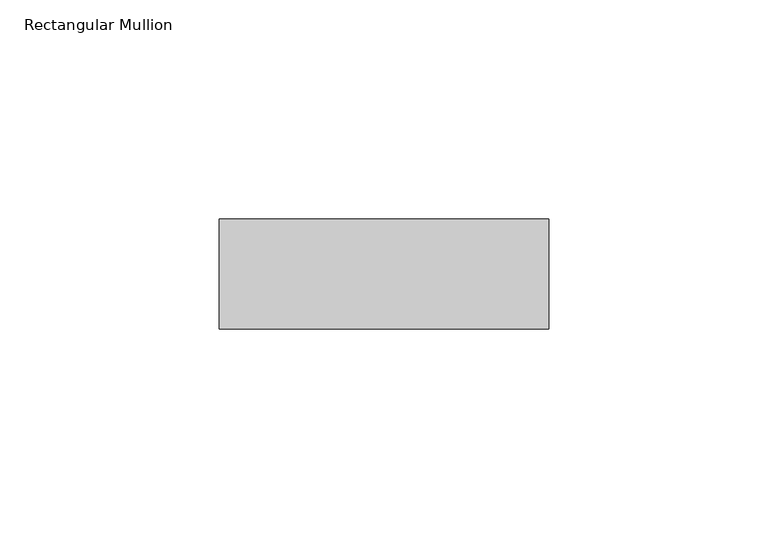
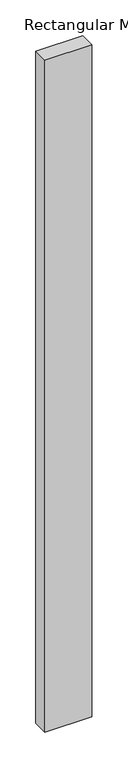
"""IFC4 building model written with IfcOpenShell, lengths in millimetres: member geometry, Rectangular Mullion."""

import ifcopenshell
import ifcopenshell.guid

model = None  # the IFC model being written
_history = None  # IfcOwnerHistory: only IFC2X3 demands one
_inside = {}  # id of a spatial element -> (the spatial element, [elements in it])
_under = {}  # id of a project, library or spatial element -> (it, [spatial elements below it])
_declared = {}  # id of a project -> (the project, [libraries it declares])
_typed = {}  # id of a type object -> (the type object, [elements of that type])
_made_of = {}  # id of a material, layer set ... -> (it, [elements and type objects made of it])


def new_model(schema):
    """Start an empty IFC model of exactly this schema.

    Asked for "IFC4X3", IfcOpenShell would pick the latest addendum, in which some entities
    have other attributes; the version numbers below select the first issue.
    IFC2X3 requires an IfcOwnerHistory on every rooted entity: one is made here for all.
    """
    global model, _history
    if schema == "IFC4X3":
        model = ifcopenshell.file(schema_version=(4, 3, 0, 0))
    else:
        model = ifcopenshell.file(schema=schema)
    _inside.clear()
    _under.clear()
    _declared.clear()
    _typed.clear()
    _made_of.clear()
    _history = None
    if model.schema == "IFC2X3":
        org = make("IfcOrganization", Name="unknown")
        user = make(
            "IfcPersonAndOrganization",
            ThePerson=make("IfcPerson", FamilyName="unknown"),
            TheOrganization=org,
        )
        app = make(
            "IfcApplication",
            ApplicationDeveloper=org,
            Version="unknown",
            ApplicationFullName="unknown",
            ApplicationIdentifier="unknown",
        )
        _history = make(
            "IfcOwnerHistory",
            OwningUser=user,
            OwningApplication=app,
            ChangeAction="ADDED",
            CreationDate=0,
        )
    return model


def make(cls, **values):
    """One entity of the class cls with the attributes given. An attribute that is None is left unset."""
    return model.create_entity(
        cls, **{name: value for name, value in values.items() if value is not None}
    )


def rooted(cls, **values):
    """An entity with a GlobalId (a new one), such as an element, a storey or a relation."""
    return make(cls, GlobalId=ifcopenshell.guid.new(), OwnerHistory=_history, **values)


def si_unit(unit_type, name, prefix=None):
    """IfcSIUnit, for example si_unit("LENGTHUNIT", "METRE", prefix="MILLI")."""
    return make("IfcSIUnit", UnitType=unit_type, Prefix=prefix, Name=name)


def assignment(units):
    """IfcUnitAssignment: the units of a project."""
    return None if units is None else make("IfcUnitAssignment", Units=units)


def point(xyz):
    """IfcCartesianPoint."""
    return None if xyz is None else make("IfcCartesianPoint", Coordinates=xyz)


def direction(xyz):
    """IfcDirection."""
    return None if xyz is None else make("IfcDirection", DirectionRatios=xyz)


def frame(location, z_axis=None, x_axis=None):
    """IfcAxis2Placement3D, a coordinate frame: its origin and axes. An axis left out is left unset."""
    return make(
        "IfcAxis2Placement3D",
        Location=point(location),
        Axis=direction(z_axis),
        RefDirection=direction(x_axis),
    )


def origin():
    """The frame at (0, 0, 0) with its axes left unset."""
    return frame((0.0, 0.0, 0.0))


def place(relative_to, where):
    """IfcLocalPlacement: puts the frame where relative to a parent placement (None: the world)."""
    return make(
        "IfcLocalPlacement", PlacementRelTo=relative_to, RelativePlacement=where
    )


def context(
    kind, dimensions, precision=None, world=None, true_north=None, identifier=None
):
    """IfcGeometricRepresentationContext, for example the 3D "Model" context."""
    return make(
        "IfcGeometricRepresentationContext",
        ContextIdentifier=identifier,
        ContextType=kind,
        CoordinateSpaceDimension=dimensions,
        Precision=precision,
        WorldCoordinateSystem=world,
        TrueNorth=true_north,
    )


def project(units=None, contexts=None):
    """IfcProject with its units and contexts."""
    return rooted(
        "IfcProject",
        Name="project",
        RepresentationContexts=contexts,
        UnitsInContext=assignment(units),
    )


def spatial(cls, under=None, at=None, **own):
    """A site, building, storey or space (cls), placed at a placement, below another one or the project."""
    s = rooted(cls, ObjectPlacement=at, **own)
    if under is not None:
        _under.setdefault(under.id(), (under, []))[1].append(s)
    return s


def polyline(points):
    """IfcPolyline through the points."""
    return make("IfcPolyline", Points=[point(p) for p in points])


def outline(outer, holes=None, kind="AREA"):
    """IfcArbitraryClosedProfileDef: a profile drawn as a closed curve; with holes, ...WithVoids."""
    if holes is None:
        return make("IfcArbitraryClosedProfileDef", ProfileType=kind, OuterCurve=outer)
    return make(
        "IfcArbitraryProfileDefWithVoids",
        ProfileType=kind,
        OuterCurve=outer,
        InnerCurves=holes,
    )


def extrude(swept, where, along, depth):
    """IfcExtrudedAreaSolid: the profile swept, set in the frame where, extruded along a direction by depth."""
    return make(
        "IfcExtrudedAreaSolid",
        SweptArea=swept,
        Position=where,
        ExtrudedDirection=direction(along),
        Depth=depth,
    )


def shape(context_of_items, identifier, shape_type, items):
    """IfcShapeRepresentation: the items that make up one representation, for example the "Body"."""
    return make(
        "IfcShapeRepresentation",
        ContextOfItems=context_of_items,
        RepresentationIdentifier=identifier,
        RepresentationType=shape_type,
        Items=items,
    )


def source(mapping_origin, context_of_items, identifier, shape_type, items):
    """IfcRepresentationMap: a shape defined once, which mapped items show again and again."""
    return make(
        "IfcRepresentationMap",
        MappingOrigin=mapping_origin,
        MappedRepresentation=shape(context_of_items, identifier, shape_type, items),
    )


def transform(
    local_origin,
    x_axis=None,
    y_axis=None,
    z_axis=None,
    scale=None,
    scale2=None,
    scale3=None,
    uniform=True,
):
    """IfcCartesianTransformationOperator3D, or its non-uniform kind. x_axis, y_axis, z_axis: its Axis1, 2, 3."""
    if uniform:
        return make(
            "IfcCartesianTransformationOperator3D",
            Axis1=direction(x_axis),
            Axis2=direction(y_axis),
            LocalOrigin=point(local_origin),
            Scale=scale,
            Axis3=direction(z_axis),
        )
    return make(
        "IfcCartesianTransformationOperator3DnonUniform",
        Axis1=direction(x_axis),
        Axis2=direction(y_axis),
        LocalOrigin=point(local_origin),
        Scale=scale,
        Axis3=direction(z_axis),
        Scale2=scale2,
        Scale3=scale3,
    )


def mapped(mapping_source, mapping_target):
    """IfcMappedItem: shows the shape of a source again, moved by a transform."""
    return make(
        "IfcMappedItem", MappingSource=mapping_source, MappingTarget=mapping_target
    )


def made_of(thing, what):
    """Note that an element or type object is made of a material, layer set ...; save() writes the relation."""
    if what is not None:
        _made_of.setdefault(what.id(), (what, []))[1].append(thing)
    return thing


def element(
    cls,
    number,
    at=None,
    inside=None,
    cuts=None,
    type_object=None,
    material=None,
    context=None,
    identifier="Body",
    shape_type=None,
    held_by="IfcProductDefinitionShape",
    body=None,
    shapes=None,
    **own,
):
    """One element of the class cls, such as IfcWall. Its Tag is "e" and its number.

    at: its placement. inside: the storey or other place that contains it. cuts: it is an
    opening in that element (IfcRelVoidsElement). A single representation is given by context,
    identifier, shape_type and body (its items); several are given by shapes. held_by: the class
    of the entity that holds the representations. save() writes the other relations.
    """
    e = rooted(cls, Tag="e%d" % number, ObjectPlacement=at, **own)
    if body is not None:
        shapes = [shape(context, identifier, shape_type, body)]
    if shapes is not None:
        e.Representation = make(held_by, Representations=shapes)
    if inside is not None:
        _inside.setdefault(inside.id(), (inside, []))[1].append(e)
    if cuts is not None:
        rooted(
            "IfcRelVoidsElement", RelatingBuildingElement=cuts, RelatedOpeningElement=e
        )
    if type_object is not None:
        _typed.setdefault(type_object.id(), (type_object, []))[1].append(e)
    return made_of(e, material)


def aggregate(whole, parts):
    """IfcRelAggregates: a whole, such as a stair, and the parts it consists of."""
    return rooted("IfcRelAggregates", RelatingObject=whole, RelatedObjects=parts)


def save(model, path):
    """Write the relations noted so far, then the file.

    IfcRelAggregates (storeys below a building ...), IfcRelContainedInSpatialStructure (elements
    in a storey), IfcRelDefinesByType, IfcRelAssociatesMaterial and IfcRelDeclares: one each for
    every whole, place, type object, material and project.
    """
    for whole, parts in _under.values():
        aggregate(whole, parts)
    for where, things in _inside.values():
        rooted(
            "IfcRelContainedInSpatialStructure",
            RelatedElements=things,
            RelatingStructure=where,
        )
    for kind, things in _typed.values():
        rooted("IfcRelDefinesByType", RelatedObjects=things, RelatingType=kind)
    for what, things in _made_of.values():
        rooted("IfcRelAssociatesMaterial", RelatedObjects=things, RelatingMaterial=what)
    for by, libraries in _declared.values():
        rooted("IfcRelDeclares", RelatingContext=by, RelatedDefinitions=libraries)
    model.write(path)


def rectangular_mullion_82c70cf3(model_context):
    return source(origin(), model_context, "Body", "SweptSolid", [
        extrude(outline(polyline([(50.0, -2.5), (50.0, -27.5), (-25.0, -27.5), (-25.0, -2.5), (50.0, -2.5)])), frame((0.0, 0.0, -1140.0), z_axis=(0.0, 0.0, 1.0), x_axis=(1.0, 0.0, 0.0)), (0.0, 0.0, 1.0), 1140.0),
    ])


if __name__ == "__main__":
    model = new_model("IFC4")
    model_context = context("Model", 3, world=origin())
    ifc_project = project(units=[si_unit("LENGTHUNIT", "METRE", prefix="MILLI")], contexts=[model_context])
    site = spatial("IfcSite", under=ifc_project)
    building = spatial("IfcBuilding", under=site)
    placement = place(None, origin())
    rectangular_mullion_shape = rectangular_mullion_82c70cf3(model_context)
    element("IfcMember", 1, ObjectType="Rectangular Mullion", at=placement, inside=building, context=model_context, shape_type="MappedRepresentation", body=[
        mapped(rectangular_mullion_shape, transform((0.0, 0.0, 0.0), x_axis=(1.0, 0.0, 0.0), y_axis=(0.0, 1.0, 0.0), z_axis=(0.0, 0.0, 1.0))),
    ])
    save(model, "model.ifc")
